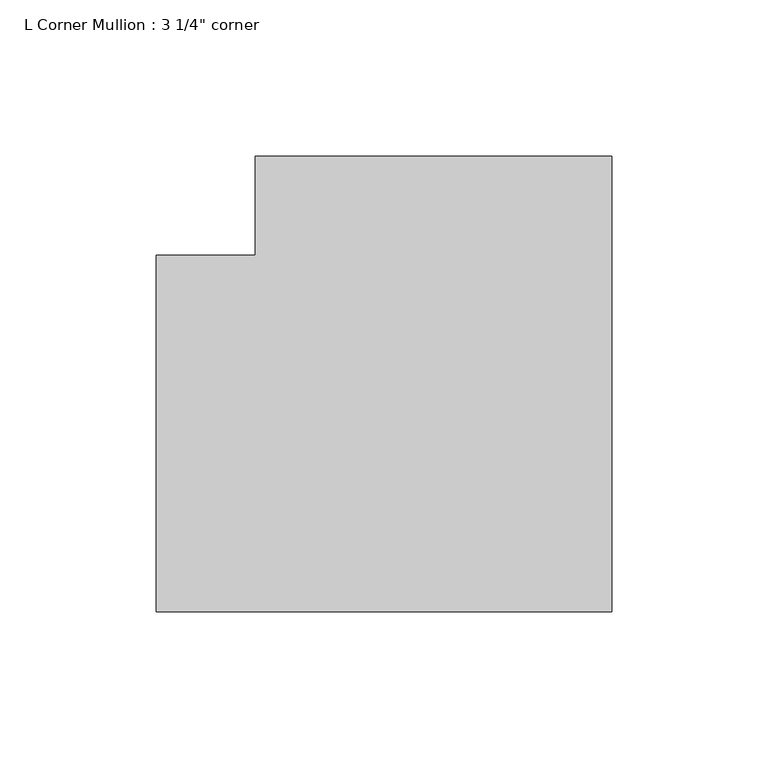
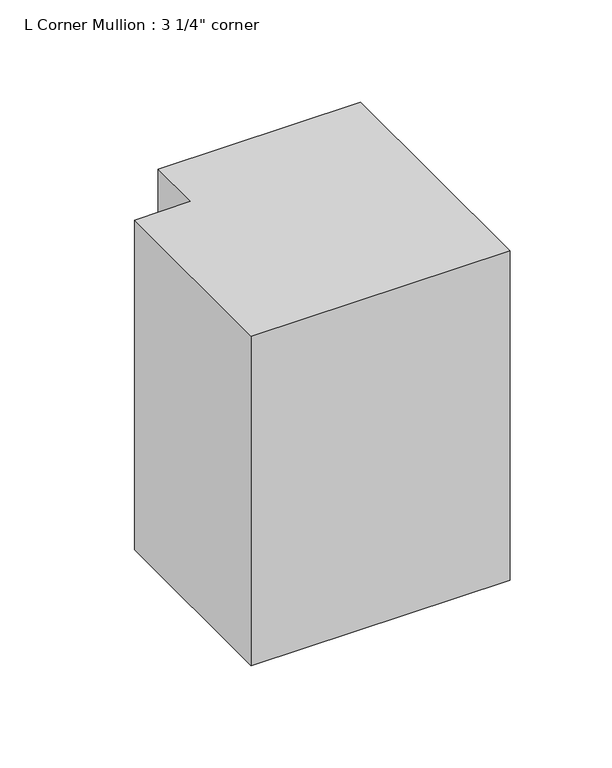
"""IFC4 building model written with IfcOpenShell, lengths in millimetres: member geometry."""

from ifc_helpers import new_model, si_unit, frame, origin, place, context, project, spatial, polyline, outline, extrude, source, transform, mapped, element, save


def member_39453571(model_context):
    return source(origin(), model_context, "Body", "SweptSolid", [
        extrude(outline(polyline([(57.15, 88.9), (57.15, -57.15), (-88.9, -57.15), (-88.9, 57.15), (-57.15, 57.15), (-57.15, 88.9), (57.15, 88.9)])), frame((0.0, 0.0, -196.85), z_axis=(0.0, 0.0, 1.0), x_axis=(1.0, 0.0, 0.0)), (0.0, 0.0, 1.0), 196.85),
    ])


if __name__ == "__main__":
    model = new_model("IFC4")
    model_context = context("Model", 3, world=origin())
    ifc_project = project(units=[si_unit("LENGTHUNIT", "METRE", prefix="MILLI")], contexts=[model_context])
    site = spatial("IfcSite", under=ifc_project)
    building = spatial("IfcBuilding", under=site)
    placement = place(None, origin())
    member_shape = member_39453571(model_context)
    element("IfcMember", 1, ObjectType="L Corner Mullion : 3 1/4\" corner", at=placement, inside=building, context=model_context, shape_type="MappedRepresentation", body=[
        mapped(member_shape, transform((0.0, 0.0, 0.0), x_axis=(1.0, 0.0, 0.0), y_axis=(0.0, 1.0, 0.0), z_axis=(0.0, 0.0, 1.0))),
    ])
    save(model, "model.ifc")
